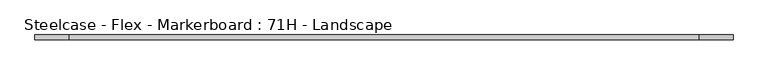
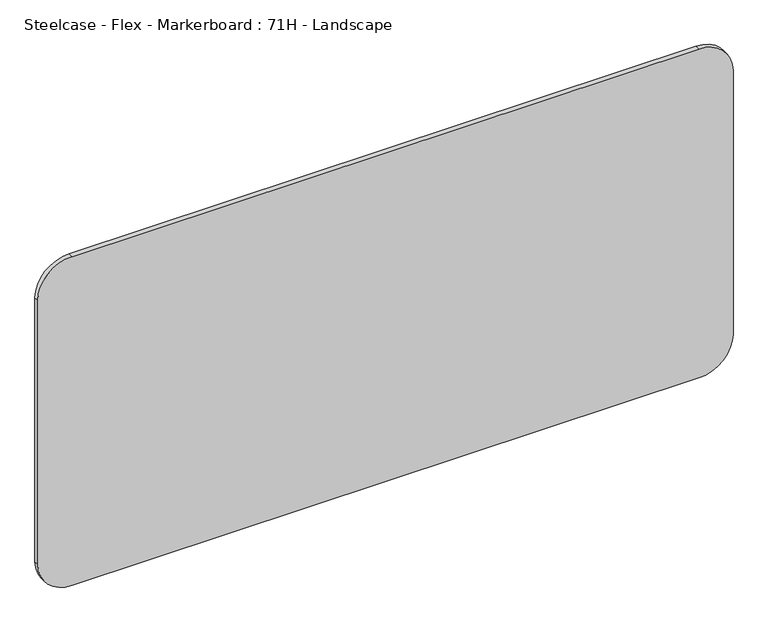
"""IFC4 building model written with IfcOpenShell, lengths in millimetres: furniture geometry, Steelcase - Flex - Markerboard : 71H - Landscape."""

import ifcopenshell
import ifcopenshell.guid

model = None  # the IFC model being written
_history = None  # IfcOwnerHistory: only IFC2X3 demands one
_inside = {}  # id of a spatial element -> (the spatial element, [elements in it])
_under = {}  # id of a project, library or spatial element -> (it, [spatial elements below it])
_declared = {}  # id of a project -> (the project, [libraries it declares])
_typed = {}  # id of a type object -> (the type object, [elements of that type])
_made_of = {}  # id of a material, layer set ... -> (it, [elements and type objects made of it])


def new_model(schema):
    """Start an empty IFC model of exactly this schema.

    Asked for "IFC4X3", IfcOpenShell would pick the latest addendum, in which some entities
    have other attributes; the version numbers below select the first issue.
    IFC2X3 requires an IfcOwnerHistory on every rooted entity: one is made here for all.
    """
    global model, _history
    if schema == "IFC4X3":
        model = ifcopenshell.file(schema_version=(4, 3, 0, 0))
    else:
        model = ifcopenshell.file(schema=schema)
    _inside.clear()
    _under.clear()
    _declared.clear()
    _typed.clear()
    _made_of.clear()
    _history = None
    if model.schema == "IFC2X3":
        org = make("IfcOrganization", Name="unknown")
        user = make(
            "IfcPersonAndOrganization",
            ThePerson=make("IfcPerson", FamilyName="unknown"),
            TheOrganization=org,
        )
        app = make(
            "IfcApplication",
            ApplicationDeveloper=org,
            Version="unknown",
            ApplicationFullName="unknown",
            ApplicationIdentifier="unknown",
        )
        _history = make(
            "IfcOwnerHistory",
            OwningUser=user,
            OwningApplication=app,
            ChangeAction="ADDED",
            CreationDate=0,
        )
    return model


def make(cls, **values):
    """One entity of the class cls with the attributes given. An attribute that is None is left unset."""
    return model.create_entity(
        cls, **{name: value for name, value in values.items() if value is not None}
    )


def rooted(cls, **values):
    """An entity with a GlobalId (a new one), such as an element, a storey or a relation."""
    return make(cls, GlobalId=ifcopenshell.guid.new(), OwnerHistory=_history, **values)


def si_unit(unit_type, name, prefix=None):
    """IfcSIUnit, for example si_unit("LENGTHUNIT", "METRE", prefix="MILLI")."""
    return make("IfcSIUnit", UnitType=unit_type, Prefix=prefix, Name=name)


def assignment(units):
    """IfcUnitAssignment: the units of a project."""
    return None if units is None else make("IfcUnitAssignment", Units=units)


def point(xyz):
    """IfcCartesianPoint."""
    return None if xyz is None else make("IfcCartesianPoint", Coordinates=xyz)


def direction(xyz):
    """IfcDirection."""
    return None if xyz is None else make("IfcDirection", DirectionRatios=xyz)


def frame(location, z_axis=None, x_axis=None):
    """IfcAxis2Placement3D, a coordinate frame: its origin and axes. An axis left out is left unset."""
    return make(
        "IfcAxis2Placement3D",
        Location=point(location),
        Axis=direction(z_axis),
        RefDirection=direction(x_axis),
    )


def frame_2d(location, x_axis=None):
    """IfcAxis2Placement2D, a coordinate frame in the plane: its origin and x axis."""
    return make(
        "IfcAxis2Placement2D", Location=point(location), RefDirection=direction(x_axis)
    )


def origin():
    """The frame at (0, 0, 0) with its axes left unset."""
    return frame((0.0, 0.0, 0.0))


def place(relative_to, where):
    """IfcLocalPlacement: puts the frame where relative to a parent placement (None: the world)."""
    return make(
        "IfcLocalPlacement", PlacementRelTo=relative_to, RelativePlacement=where
    )


def context(
    kind, dimensions, precision=None, world=None, true_north=None, identifier=None
):
    """IfcGeometricRepresentationContext, for example the 3D "Model" context."""
    return make(
        "IfcGeometricRepresentationContext",
        ContextIdentifier=identifier,
        ContextType=kind,
        CoordinateSpaceDimension=dimensions,
        Precision=precision,
        WorldCoordinateSystem=world,
        TrueNorth=true_north,
    )


def project(units=None, contexts=None):
    """IfcProject with its units and contexts."""
    return rooted(
        "IfcProject",
        Name="project",
        RepresentationContexts=contexts,
        UnitsInContext=assignment(units),
    )


def spatial(cls, under=None, at=None, **own):
    """A site, building, storey or space (cls), placed at a placement, below another one or the project."""
    s = rooted(cls, ObjectPlacement=at, **own)
    if under is not None:
        _under.setdefault(under.id(), (under, []))[1].append(s)
    return s


def polyline(points):
    """IfcPolyline through the points."""
    return make("IfcPolyline", Points=[point(p) for p in points])


def circle_curve(where, radius):
    """IfcCircle in the frame where."""
    return make("IfcCircle", Position=where, Radius=radius)


def trimmed(basis, trim1, trim2, sense, master):
    """IfcTrimmedCurve: the piece of a basis curve between two trims."""
    return make(
        "IfcTrimmedCurve",
        BasisCurve=basis,
        Trim1=trim1,
        Trim2=trim2,
        SenseAgreement=sense,
        MasterRepresentation=master,
    )


def segment(curve, same_sense, transition):
    """IfcCompositeCurveSegment."""
    return make(
        "IfcCompositeCurveSegment",
        Transition=transition,
        SameSense=same_sense,
        ParentCurve=curve,
    )


def composite_curve(segments, self_intersect=None):
    """IfcCompositeCurve: segments joined end to end."""
    return make("IfcCompositeCurve", Segments=segments, SelfIntersect=self_intersect)


def outline(outer, holes=None, kind="AREA"):
    """IfcArbitraryClosedProfileDef: a profile drawn as a closed curve; with holes, ...WithVoids."""
    if holes is None:
        return make("IfcArbitraryClosedProfileDef", ProfileType=kind, OuterCurve=outer)
    return make(
        "IfcArbitraryProfileDefWithVoids",
        ProfileType=kind,
        OuterCurve=outer,
        InnerCurves=holes,
    )


def extrude(swept, where, along, depth):
    """IfcExtrudedAreaSolid: the profile swept, set in the frame where, extruded along a direction by depth."""
    return make(
        "IfcExtrudedAreaSolid",
        SweptArea=swept,
        Position=where,
        ExtrudedDirection=direction(along),
        Depth=depth,
    )


def shape(context_of_items, identifier, shape_type, items):
    """IfcShapeRepresentation: the items that make up one representation, for example the "Body"."""
    return make(
        "IfcShapeRepresentation",
        ContextOfItems=context_of_items,
        RepresentationIdentifier=identifier,
        RepresentationType=shape_type,
        Items=items,
    )


def source(mapping_origin, context_of_items, identifier, shape_type, items):
    """IfcRepresentationMap: a shape defined once, which mapped items show again and again."""
    return make(
        "IfcRepresentationMap",
        MappingOrigin=mapping_origin,
        MappedRepresentation=shape(context_of_items, identifier, shape_type, items),
    )


def transform(
    local_origin,
    x_axis=None,
    y_axis=None,
    z_axis=None,
    scale=None,
    scale2=None,
    scale3=None,
    uniform=True,
):
    """IfcCartesianTransformationOperator3D, or its non-uniform kind. x_axis, y_axis, z_axis: its Axis1, 2, 3."""
    if uniform:
        return make(
            "IfcCartesianTransformationOperator3D",
            Axis1=direction(x_axis),
            Axis2=direction(y_axis),
            LocalOrigin=point(local_origin),
            Scale=scale,
            Axis3=direction(z_axis),
        )
    return make(
        "IfcCartesianTransformationOperator3DnonUniform",
        Axis1=direction(x_axis),
        Axis2=direction(y_axis),
        LocalOrigin=point(local_origin),
        Scale=scale,
        Axis3=direction(z_axis),
        Scale2=scale2,
        Scale3=scale3,
    )


def mapped(mapping_source, mapping_target):
    """IfcMappedItem: shows the shape of a source again, moved by a transform."""
    return make(
        "IfcMappedItem", MappingSource=mapping_source, MappingTarget=mapping_target
    )


def made_of(thing, what):
    """Note that an element or type object is made of a material, layer set ...; save() writes the relation."""
    if what is not None:
        _made_of.setdefault(what.id(), (what, []))[1].append(thing)
    return thing


def element(
    cls,
    number,
    at=None,
    inside=None,
    cuts=None,
    type_object=None,
    material=None,
    context=None,
    identifier="Body",
    shape_type=None,
    held_by="IfcProductDefinitionShape",
    body=None,
    shapes=None,
    **own,
):
    """One element of the class cls, such as IfcWall. Its Tag is "e" and its number.

    at: its placement. inside: the storey or other place that contains it. cuts: it is an
    opening in that element (IfcRelVoidsElement). A single representation is given by context,
    identifier, shape_type and body (its items); several are given by shapes. held_by: the class
    of the entity that holds the representations. save() writes the other relations.
    """
    e = rooted(cls, Tag="e%d" % number, ObjectPlacement=at, **own)
    if body is not None:
        shapes = [shape(context, identifier, shape_type, body)]
    if shapes is not None:
        e.Representation = make(held_by, Representations=shapes)
    if inside is not None:
        _inside.setdefault(inside.id(), (inside, []))[1].append(e)
    if cuts is not None:
        rooted(
            "IfcRelVoidsElement", RelatingBuildingElement=cuts, RelatedOpeningElement=e
        )
    if type_object is not None:
        _typed.setdefault(type_object.id(), (type_object, []))[1].append(e)
    return made_of(e, material)


def aggregate(whole, parts):
    """IfcRelAggregates: a whole, such as a stair, and the parts it consists of."""
    return rooted("IfcRelAggregates", RelatingObject=whole, RelatedObjects=parts)


def save(model, path):
    """Write the relations noted so far, then the file.

    IfcRelAggregates (storeys below a building ...), IfcRelContainedInSpatialStructure (elements
    in a storey), IfcRelDefinesByType, IfcRelAssociatesMaterial and IfcRelDeclares: one each for
    every whole, place, type object, material and project.
    """
    for whole, parts in _under.values():
        aggregate(whole, parts)
    for where, things in _inside.values():
        rooted(
            "IfcRelContainedInSpatialStructure",
            RelatedElements=things,
            RelatingStructure=where,
        )
    for kind, things in _typed.values():
        rooted("IfcRelDefinesByType", RelatedObjects=things, RelatingType=kind)
    for what, things in _made_of.values():
        rooted("IfcRelAssociatesMaterial", RelatedObjects=things, RelatingMaterial=what)
    for by, libraries in _declared.values():
        rooted("IfcRelDeclares", RelatingContext=by, RelatedDefinitions=libraries)
    model.write(path)


def steelcase_flex_markerboard_71h_landscape_f32f3175(model_context):
    return source(origin(), model_context, "Body", "SweptSolid", [
        extrude(outline(composite_curve([segment(polyline([(901.7, 1714.5), (901.7, 88.9)]), True, "CONTINUOUS"), segment(trimmed(circle_curve(frame_2d((812.8, 88.9)), 88.9), [point((901.7, 88.9))], [point((812.8, 0.0))], False, "CARTESIAN"), True, "CONTINUOUS"), segment(polyline([(812.8, 0.0), (88.9, 0.0)]), True, "CONTINUOUS"), segment(trimmed(circle_curve(frame_2d((88.9, 88.9)), 88.9), [point((88.9, 0.0))], [point((0.0, 88.9))], False, "CARTESIAN"), True, "CONTINUOUS"), segment(polyline([(0.0, 88.9), (0.0, 1714.5)]), True, "CONTINUOUS"), segment(trimmed(circle_curve(frame_2d((88.9, 1714.5)), 88.9), [point((0.0, 1714.5))], [point((88.9, 1803.4))], False, "CARTESIAN"), True, "CONTINUOUS"), segment(polyline([(88.9, 1803.4), (812.8, 1803.4)]), True, "CONTINUOUS"), segment(trimmed(circle_curve(frame_2d((812.8, 1714.5)), 88.9), [point((812.8, 1803.4))], [point((901.7, 1714.5))], False, "CARTESIAN"), True, "CONTINUOUS")], self_intersect=False)), frame((0.0, -12.6957723, 0.0), z_axis=(0.0, 1.0, 0.0), x_axis=(0.0, 0.0, 1.0)), (0.0, 0.0, 1.0), 12.6957723),
    ])


if __name__ == "__main__":
    model = new_model("IFC4")
    model_context = context("Model", 3, world=origin())
    ifc_project = project(units=[si_unit("LENGTHUNIT", "METRE", prefix="MILLI")], contexts=[model_context])
    site = spatial("IfcSite", under=ifc_project)
    building = spatial("IfcBuilding", under=site)
    placement = place(None, origin())
    steelcase_flex_markerboard_71h_landscape_shape = steelcase_flex_markerboard_71h_landscape_f32f3175(model_context)
    element("IfcFurniture", 1, ObjectType="Steelcase - Flex - Markerboard : 71H - Landscape", at=placement, inside=building, context=model_context, shape_type="MappedRepresentation", body=[
        mapped(steelcase_flex_markerboard_71h_landscape_shape, transform((0.0, 0.0, 0.0), x_axis=(1.0, 0.0, 0.0), y_axis=(0.0, 1.0, 0.0), z_axis=(0.0, 0.0, 1.0))),
    ])
    save(model, "model.ifc")
